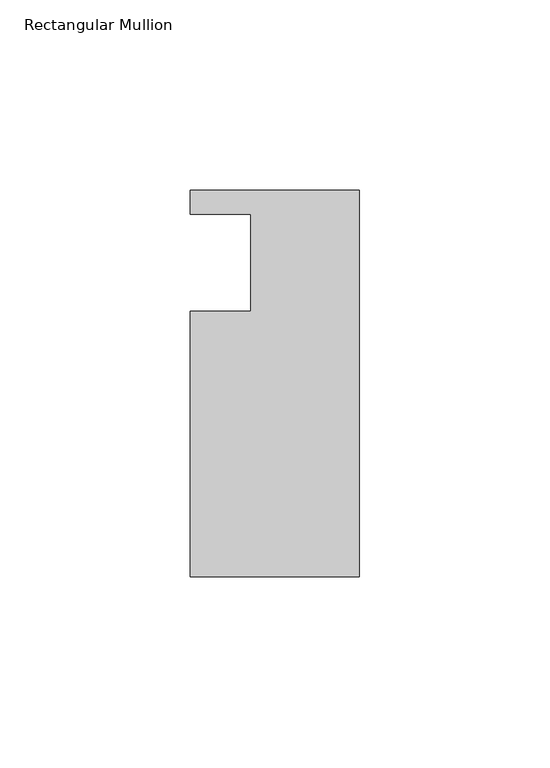
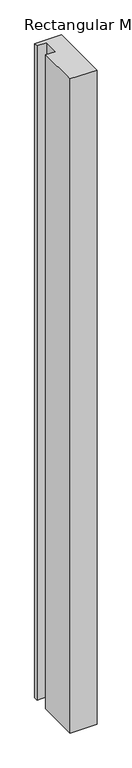
"""IFC4 building model written with IfcOpenShell, lengths in millimetres: member geometry, Rectangular Mullion."""

from ifc_helpers import new_model, si_unit, frame, origin, place, context, project, spatial, polyline, outline, extrude, source, transform, mapped, element, save


def rectangular_mullion_00eb9425(model_context):
    return source(origin(), model_context, "Body", "SweptSolid", [
        extrude(outline(polyline([(-44.45, -73.152), (-44.45, -3.302), (-28.575, -3.302), (-28.575, 22.098), (-44.45, 22.098), (-44.45, 28.448), (0.0, 28.448), (0.0, -73.152), (-44.45, -73.152)])), frame((0.0, 0.0, -1145.7469027), z_axis=(0.0, 0.0, 1.0), x_axis=(1.0, 0.0, 0.0)), (0.0, 0.0, 1.0), 1145.7469027),
    ])


if __name__ == "__main__":
    model = new_model("IFC4")
    model_context = context("Model", 3, world=origin())
    ifc_project = project(units=[si_unit("LENGTHUNIT", "METRE", prefix="MILLI")], contexts=[model_context])
    site = spatial("IfcSite", under=ifc_project)
    building = spatial("IfcBuilding", under=site)
    placement = place(None, origin())
    rectangular_mullion_shape = rectangular_mullion_00eb9425(model_context)
    element("IfcMember", 1, ObjectType="Rectangular Mullion", at=placement, inside=building, context=model_context, shape_type="MappedRepresentation", body=[
        mapped(rectangular_mullion_shape, transform((0.0, 0.0, 0.0), x_axis=(1.0, 0.0, 0.0), y_axis=(0.0, 1.0, 0.0), z_axis=(0.0, 0.0, 1.0))),
    ])
    save(model, "model.ifc")
